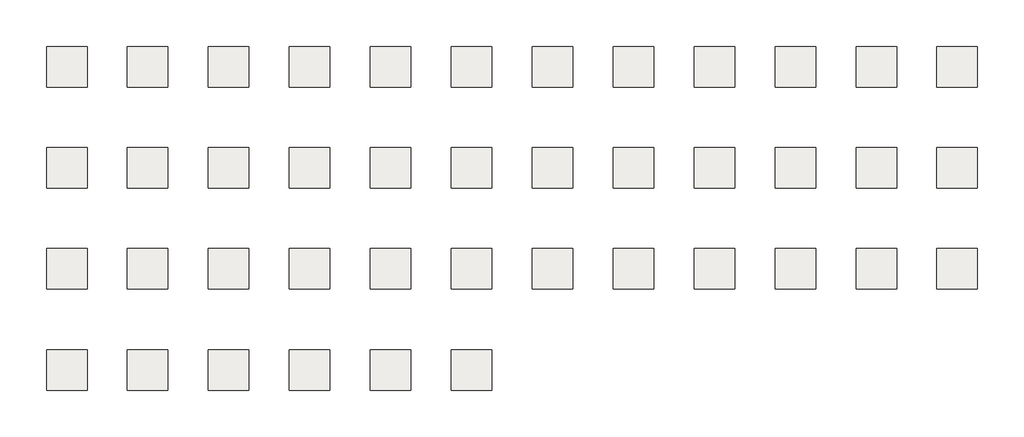
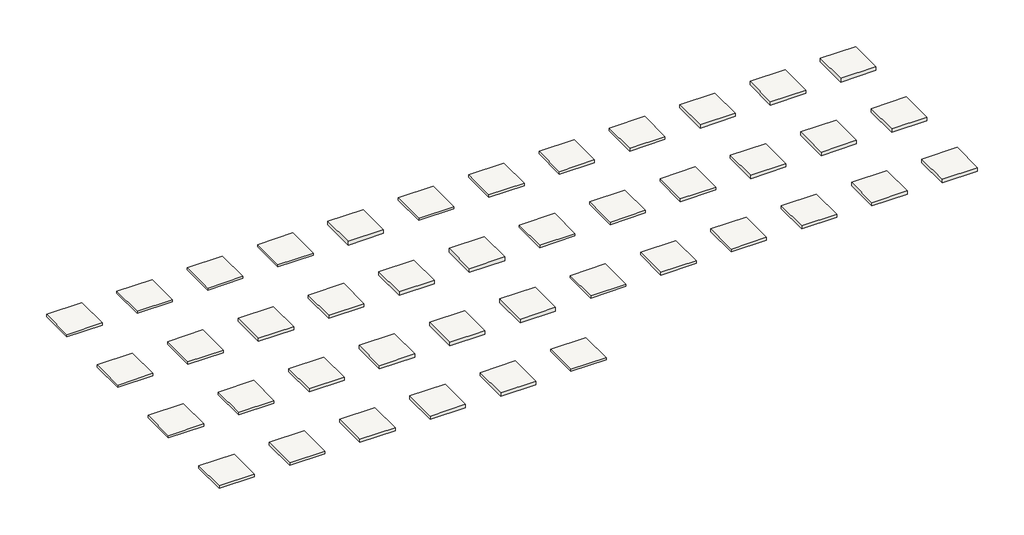
# One storey: 42 slabs.
"""IFC4 building model written with IfcOpenShell, lengths in millimetres."""

from ifc_helpers import new_model, si_unit, frame, origin, place, context, project, spatial, polyline, outline, extrude, element, save

model = new_model("IFC4")

# Units and contexts
model_context = context("Model", 3, world=origin())
ifc_project = project(units=[si_unit("LENGTHUNIT", "METRE", prefix="MILLI")], contexts=[model_context])

# Site, building, storey
site = spatial("IfcSite", under=ifc_project)
building = spatial("IfcBuilding", under=site)
storey = spatial("IfcBuildingStorey", under=building, Elevation=3048.0)

# Slabs
placement = place(None, origin())
element("IfcSlab", 1, at=placement, inside=storey, context=model_context, shape_type="SweptSolid", body=[
    extrude(outline(polyline([(-14593.2996332, 5143.7427288), (-14593.2996332, 2095.7427288), (-17641.2996332, 2095.7427288), (-17641.2996332, 5143.7427288), (-14593.2996332, 5143.7427288)])), frame((0.0, 0.0, 2857.4999989), z_axis=(0.0, 0.0, 1.0), x_axis=(1.0, 0.0, 0.0)), (0.0, 0.0, 1.0), 190.5000011),
])
element("IfcSlab", 2, at=placement, inside=storey, context=model_context, shape_type="SweptSolid", body=[
    extrude(outline(polyline([(-8497.2996332, 5143.7427288), (-8497.2996332, 2095.7427288), (-11545.2996332, 2095.7427288), (-11545.2996332, 5143.7427288), (-8497.2996332, 5143.7427288)])), frame((0.0, 0.0, 2863.8499992), z_axis=(0.0, 0.0, 1.0), x_axis=(1.0, 0.0, 0.0)), (0.0, 0.0, 1.0), 184.1500008),
])
element("IfcSlab", 3, at=placement, inside=storey, context=model_context, shape_type="SweptSolid", body=[
    extrude(outline(polyline([(-2401.2996332, 5143.7427288), (-2401.2996332, 2095.7427288), (-5449.2996332, 2095.7427288), (-5449.2996332, 5143.7427288), (-2401.2996332, 5143.7427288)])), frame((0.0, 0.0, 2863.8499992), z_axis=(0.0, 0.0, 1.0), x_axis=(1.0, 0.0, 0.0)), (0.0, 0.0, 1.0), 184.1500008),
])
element("IfcSlab", 4, at=placement, inside=storey, context=model_context, shape_type="SweptSolid", body=[
    extrude(outline(polyline([(3694.7003668, 5143.7427288), (3694.7003668, 2095.7427288), (646.7003668, 2095.7427288), (646.7003668, 5143.7427288), (3694.7003668, 5143.7427288)])), frame((0.0, 0.0, 2863.8499992), z_axis=(0.0, 0.0, 1.0), x_axis=(1.0, 0.0, 0.0)), (0.0, 0.0, 1.0), 184.1500008),
])
element("IfcSlab", 5, at=placement, inside=storey, context=model_context, shape_type="SweptSolid", body=[
    extrude(outline(polyline([(9790.7003668, 5143.7427288), (9790.7003668, 2095.7427288), (6742.7003668, 2095.7427288), (6742.7003668, 5143.7427288), (9790.7003668, 5143.7427288)])), frame((0.0, 0.0, 2711.4499991), z_axis=(0.0, 0.0, 1.0), x_axis=(1.0, 0.0, 0.0)), (0.0, 0.0, 1.0), 336.5500009),
])
element("IfcSlab", 6, at=placement, inside=storey, context=model_context, shape_type="SweptSolid", body=[
    extrude(outline(polyline([(15886.7003668, 5143.7427288), (15886.7003668, 2095.7427288), (12838.7003668, 2095.7427288), (12838.7003668, 5143.7427288), (15886.7003668, 5143.7427288)])), frame((0.0, 0.0, 2860.674999), z_axis=(0.0, 0.0, 1.0), x_axis=(1.0, 0.0, 0.0)), (0.0, 0.0, 1.0), 187.325001),
])
element("IfcSlab", 7, at=placement, inside=storey, context=model_context, shape_type="SweptSolid", body=[
    extrude(outline(polyline([(21982.7003668, 5143.7427288), (21982.7003668, 2095.7427288), (18934.7003668, 2095.7427288), (18934.7003668, 5143.7427288), (21982.7003668, 5143.7427288)])), frame((0.0, 0.0, 2835.275005), z_axis=(0.0, 0.0, 1.0), x_axis=(1.0, 0.0, 0.0)), (0.0, 0.0, 1.0), 212.724995),
])
element("IfcSlab", 8, at=placement, inside=storey, context=model_context, shape_type="SweptSolid", body=[
    extrude(outline(polyline([(28078.7003668, 5143.7427288), (28078.7003668, 2095.7427288), (25030.7003668, 2095.7427288), (25030.7003668, 5143.7427288), (28078.7003668, 5143.7427288)])), frame((0.0, 0.0, 2809.8749929), z_axis=(0.0, 0.0, 1.0), x_axis=(1.0, 0.0, 0.0)), (0.0, 0.0, 1.0), 238.1250071),
])
element("IfcSlab", 9, at=placement, inside=storey, context=model_context, shape_type="SweptSolid", body=[
    extrude(outline(polyline([(34174.7003668, 5143.7427288), (34174.7003668, 2095.7427288), (31126.7003668, 2095.7427288), (31126.7003668, 5143.7427288), (34174.7003668, 5143.7427288)])), frame((0.0, 0.0, 2784.474999), z_axis=(0.0, 0.0, 1.0), x_axis=(1.0, 0.0, 0.0)), (0.0, 0.0, 1.0), 263.525001),
])
element("IfcSlab", 10, at=placement, inside=storey, context=model_context, shape_type="SweptSolid", body=[
    extrude(outline(polyline([(40270.7003668, 5143.7427288), (40270.7003668, 2095.7427288), (37222.7003668, 2095.7427288), (37222.7003668, 5143.7427288), (40270.7003668, 5143.7427288)])), frame((0.0, 0.0, 2759.075005), z_axis=(0.0, 0.0, 1.0), x_axis=(1.0, 0.0, 0.0)), (0.0, 0.0, 1.0), 288.924995),
])
element("IfcSlab", 11, at=placement, inside=storey, context=model_context, shape_type="SweptSolid", body=[
    extrude(outline(polyline([(46366.7003668, 5143.7427288), (46366.7003668, 2095.7427288), (43318.7003668, 2095.7427288), (43318.7003668, 5143.7427288), (46366.7003668, 5143.7427288)])), frame((0.0, 0.0, 2733.6749929), z_axis=(0.0, 0.0, 1.0), x_axis=(1.0, 0.0, 0.0)), (0.0, 0.0, 1.0), 314.3250071),
])
element("IfcSlab", 12, at=placement, inside=storey, context=model_context, shape_type="SweptSolid", body=[
    extrude(outline(polyline([(52462.7003668, 5143.7427288), (52462.7003668, 2095.7427288), (49414.7003668, 2095.7427288), (49414.7003668, 5143.7427288), (52462.7003668, 5143.7427288)])), frame((0.0, 0.0, 2708.274999), z_axis=(0.0, 0.0, 1.0), x_axis=(1.0, 0.0, 0.0)), (0.0, 0.0, 1.0), 339.725001),
])
element("IfcSlab", 13, at=placement, inside=storey, context=model_context, shape_type="SweptSolid", body=[
    extrude(outline(polyline([(15886.7003668, -2476.2572712), (15886.7003668, -5524.2572712), (12838.7003668, -5524.2572712), (12838.7003668, -2476.2572712), (15886.7003668, -2476.2572712)])), frame((0.0, 0.0, 2705.0999989), z_axis=(0.0, 0.0, 1.0), x_axis=(1.0, 0.0, 0.0)), (0.0, 0.0, 1.0), 342.9000011),
])
element("IfcSlab", 14, at=placement, inside=storey, context=model_context, shape_type="SweptSolid", body=[
    extrude(outline(polyline([(21982.7003668, -2476.2572712), (21982.7003668, -5524.2572712), (18934.7003668, -5524.2572712), (18934.7003668, -2476.2572712), (21982.7003668, -2476.2572712)])), frame((0.0, 0.0, 2838.4500051), z_axis=(0.0, 0.0, 1.0), x_axis=(1.0, 0.0, 0.0)), (0.0, 0.0, 1.0), 209.5499949),
])
element("IfcSlab", 15, at=placement, inside=storey, context=model_context, shape_type="SweptSolid", body=[
    extrude(outline(polyline([(28078.7003668, -2476.2572712), (28078.7003668, -5524.2572712), (25030.7003668, -5524.2572712), (25030.7003668, -2476.2572712), (28078.7003668, -2476.2572712)])), frame((0.0, 0.0, 2813.049993), z_axis=(0.0, 0.0, 1.0), x_axis=(1.0, 0.0, 0.0)), (0.0, 0.0, 1.0), 234.950007),
])
element("IfcSlab", 16, at=placement, inside=storey, context=model_context, shape_type="SweptSolid", body=[
    extrude(outline(polyline([(34174.7003668, -2476.2572712), (34174.7003668, -5524.2572712), (31126.7003668, -5524.2572712), (31126.7003668, -2476.2572712), (34174.7003668, -2476.2572712)])), frame((0.0, 0.0, 2787.6499991), z_axis=(0.0, 0.0, 1.0), x_axis=(1.0, 0.0, 0.0)), (0.0, 0.0, 1.0), 260.3500009),
])
element("IfcSlab", 17, at=placement, inside=storey, context=model_context, shape_type="SweptSolid", body=[
    extrude(outline(polyline([(40270.7003668, -2476.2572712), (40270.7003668, -5524.2572712), (37222.7003668, -5524.2572712), (37222.7003668, -2476.2572712), (40270.7003668, -2476.2572712)])), frame((0.0, 0.0, 2762.2500051), z_axis=(0.0, 0.0, 1.0), x_axis=(1.0, 0.0, 0.0)), (0.0, 0.0, 1.0), 285.7499949),
])
element("IfcSlab", 18, at=placement, inside=storey, context=model_context, shape_type="SweptSolid", body=[
    extrude(outline(polyline([(46366.7003668, -2476.2572712), (46366.7003668, -5524.2572712), (43318.7003668, -5524.2572712), (43318.7003668, -2476.2572712), (46366.7003668, -2476.2572712)])), frame((0.0, 0.0, 2736.849993), z_axis=(0.0, 0.0, 1.0), x_axis=(1.0, 0.0, 0.0)), (0.0, 0.0, 1.0), 311.150007),
])
element("IfcSlab", 19, at=placement, inside=storey, context=model_context, shape_type="SweptSolid", body=[
    extrude(outline(polyline([(52462.7003668, -2476.2572712), (52462.7003668, -5524.2572712), (49414.7003668, -5524.2572712), (49414.7003668, -2476.2572712), (52462.7003668, -2476.2572712)])), frame((0.0, 0.0, 2711.4499991), z_axis=(0.0, 0.0, 1.0), x_axis=(1.0, 0.0, 0.0)), (0.0, 0.0, 1.0), 336.5500009),
])
element("IfcSlab", 20, at=placement, inside=storey, context=model_context, shape_type="SweptSolid", body=[
    extrude(outline(polyline([(-8497.2996332, -2476.2572712), (-8497.2996332, -5524.2572712), (-11545.2996332, -5524.2572712), (-11545.2996332, -2476.2572712), (-8497.2996332, -2476.2572712)])), frame((0.0, 0.0, 2806.6999928), z_axis=(0.0, 0.0, 1.0), x_axis=(1.0, 0.0, 0.0)), (0.0, 0.0, 1.0), 241.3000072),
])
element("IfcSlab", 21, at=placement, inside=storey, context=model_context, shape_type="SweptSolid", body=[
    extrude(outline(polyline([(-2401.2996332, -2476.2572712), (-2401.2996332, -5524.2572712), (-5449.2996332, -5524.2572712), (-5449.2996332, -2476.2572712), (-2401.2996332, -2476.2572712)])), frame((0.0, 0.0, 2781.2999989), z_axis=(0.0, 0.0, 1.0), x_axis=(1.0, 0.0, 0.0)), (0.0, 0.0, 1.0), 266.7000011),
])
element("IfcSlab", 22, at=placement, inside=storey, context=model_context, shape_type="SweptSolid", body=[
    extrude(outline(polyline([(3694.7003668, -2476.2572712), (3694.7003668, -5524.2572712), (646.7003668, -5524.2572712), (646.7003668, -2476.2572712), (3694.7003668, -2476.2572712)])), frame((0.0, 0.0, 2755.9000049), z_axis=(0.0, 0.0, 1.0), x_axis=(1.0, 0.0, 0.0)), (0.0, 0.0, 1.0), 292.0999951),
])
element("IfcSlab", 23, at=placement, inside=storey, context=model_context, shape_type="SweptSolid", body=[
    extrude(outline(polyline([(9790.7003668, -2476.2572712), (9790.7003668, -5524.2572712), (6742.7003668, -5524.2572712), (6742.7003668, -2476.2572712), (9790.7003668, -2476.2572712)])), frame((0.0, 0.0, 2730.4999928), z_axis=(0.0, 0.0, 1.0), x_axis=(1.0, 0.0, 0.0)), (0.0, 0.0, 1.0), 317.5000072),
])
element("IfcSlab", 24, at=placement, inside=storey, context=model_context, shape_type="SweptSolid", body=[
    extrude(outline(polyline([(-14593.2996332, -2476.2572712), (-14593.2996332, -5524.2572712), (-17641.2996332, -5524.2572712), (-17641.2996332, -2476.2572712), (-14593.2996332, -2476.2572712)])), frame((0.0, 0.0, 2832.1000049), z_axis=(0.0, 0.0, 1.0), x_axis=(1.0, 0.0, 0.0)), (0.0, 0.0, 1.0), 215.8999951),
])
element("IfcSlab", 25, at=placement, inside=storey, context=model_context, shape_type="SweptSolid", body=[
    extrude(outline(polyline([(15886.7003668, -10096.2572712), (15886.7003668, -13144.2572712), (12838.7003668, -13144.2572712), (12838.7003668, -10096.2572712), (15886.7003668, -10096.2572712)])), frame((0.0, 0.0, 2711.4499991), z_axis=(0.0, 0.0, 1.0), x_axis=(1.0, 0.0, 0.0)), (0.0, 0.0, 1.0), 336.5500009),
])
element("IfcSlab", 26, at=placement, inside=storey, context=model_context, shape_type="SweptSolid", body=[
    extrude(outline(polyline([(21982.7003668, -10096.2572712), (21982.7003668, -13144.2572712), (18934.7003668, -13144.2572712), (18934.7003668, -10096.2572712), (21982.7003668, -10096.2572712)])), frame((0.0, 0.0, 2838.4500051), z_axis=(0.0, 0.0, 1.0), x_axis=(1.0, 0.0, 0.0)), (0.0, 0.0, 1.0), 209.5499949),
])
element("IfcSlab", 27, at=placement, inside=storey, context=model_context, shape_type="SweptSolid", body=[
    extrude(outline(polyline([(28078.7003668, -10096.2572712), (28078.7003668, -13144.2572712), (25030.7003668, -13144.2572712), (25030.7003668, -10096.2572712), (28078.7003668, -10096.2572712)])), frame((0.0, 0.0, 2813.049993), z_axis=(0.0, 0.0, 1.0), x_axis=(1.0, 0.0, 0.0)), (0.0, 0.0, 1.0), 234.950007),
])
element("IfcSlab", 28, at=placement, inside=storey, context=model_context, shape_type="SweptSolid", body=[
    extrude(outline(polyline([(34174.7003668, -10096.2572712), (34174.7003668, -13144.2572712), (31126.7003668, -13144.2572712), (31126.7003668, -10096.2572712), (34174.7003668, -10096.2572712)])), frame((0.0, 0.0, 2787.6499991), z_axis=(0.0, 0.0, 1.0), x_axis=(1.0, 0.0, 0.0)), (0.0, 0.0, 1.0), 260.3500009),
])
element("IfcSlab", 29, at=placement, inside=storey, context=model_context, shape_type="SweptSolid", body=[
    extrude(outline(polyline([(40270.7003668, -10096.2572712), (40270.7003668, -13144.2572712), (37222.7003668, -13144.2572712), (37222.7003668, -10096.2572712), (40270.7003668, -10096.2572712)])), frame((0.0, 0.0, 2762.2500051), z_axis=(0.0, 0.0, 1.0), x_axis=(1.0, 0.0, 0.0)), (0.0, 0.0, 1.0), 285.7499949),
])
element("IfcSlab", 30, at=placement, inside=storey, context=model_context, shape_type="SweptSolid", body=[
    extrude(outline(polyline([(46366.7003668, -10096.2572712), (46366.7003668, -13144.2572712), (43318.7003668, -13144.2572712), (43318.7003668, -10096.2572712), (46366.7003668, -10096.2572712)])), frame((0.0, 0.0, 2736.849993), z_axis=(0.0, 0.0, 1.0), x_axis=(1.0, 0.0, 0.0)), (0.0, 0.0, 1.0), 311.150007),
])
element("IfcSlab", 31, at=placement, inside=storey, context=model_context, shape_type="SweptSolid", body=[
    extrude(outline(polyline([(52462.7003668, -10096.2572712), (52462.7003668, -13144.2572712), (49414.7003668, -13144.2572712), (49414.7003668, -10096.2572712), (52462.7003668, -10096.2572712)])), frame((0.0, 0.0, 2711.4499991), z_axis=(0.0, 0.0, 1.0), x_axis=(1.0, 0.0, 0.0)), (0.0, 0.0, 1.0), 336.5500009),
])
element("IfcSlab", 32, at=placement, inside=storey, context=model_context, shape_type="SweptSolid", body=[
    extrude(outline(polyline([(-8497.2996332, -10096.2572712), (-8497.2996332, -13144.2572712), (-11545.2996332, -13144.2572712), (-11545.2996332, -10096.2572712), (-8497.2996332, -10096.2572712)])), frame((0.0, 0.0, 2813.049993), z_axis=(0.0, 0.0, 1.0), x_axis=(1.0, 0.0, 0.0)), (0.0, 0.0, 1.0), 234.950007),
])
element("IfcSlab", 33, at=placement, inside=storey, context=model_context, shape_type="SweptSolid", body=[
    extrude(outline(polyline([(-2401.2996332, -10096.2572712), (-2401.2996332, -13144.2572712), (-5449.2996332, -13144.2572712), (-5449.2996332, -10096.2572712), (-2401.2996332, -10096.2572712)])), frame((0.0, 0.0, 2787.6499991), z_axis=(0.0, 0.0, 1.0), x_axis=(1.0, 0.0, 0.0)), (0.0, 0.0, 1.0), 260.3500009),
])
element("IfcSlab", 34, at=placement, inside=storey, context=model_context, shape_type="SweptSolid", body=[
    extrude(outline(polyline([(3694.7003668, -10096.2572712), (3694.7003668, -13144.2572712), (646.7003668, -13144.2572712), (646.7003668, -10096.2572712), (3694.7003668, -10096.2572712)])), frame((0.0, 0.0, 2762.2500051), z_axis=(0.0, 0.0, 1.0), x_axis=(1.0, 0.0, 0.0)), (0.0, 0.0, 1.0), 285.7499949),
])
element("IfcSlab", 35, at=placement, inside=storey, context=model_context, shape_type="SweptSolid", body=[
    extrude(outline(polyline([(9790.7003668, -10096.2572712), (9790.7003668, -13144.2572712), (6742.7003668, -13144.2572712), (6742.7003668, -10096.2572712), (9790.7003668, -10096.2572712)])), frame((0.0, 0.0, 2736.849993), z_axis=(0.0, 0.0, 1.0), x_axis=(1.0, 0.0, 0.0)), (0.0, 0.0, 1.0), 311.150007),
])
element("IfcSlab", 36, at=placement, inside=storey, context=model_context, shape_type="SweptSolid", body=[
    extrude(outline(polyline([(-14593.2996332, -10096.2572712), (-14593.2996332, -13144.2572712), (-17641.2996332, -13144.2572712), (-17641.2996332, -10096.2572712), (-14593.2996332, -10096.2572712)])), frame((0.0, 0.0, 2838.4500051), z_axis=(0.0, 0.0, 1.0), x_axis=(1.0, 0.0, 0.0)), (0.0, 0.0, 1.0), 209.5499949),
])
element("IfcSlab", 37, at=placement, inside=storey, context=model_context, shape_type="SweptSolid", body=[
    extrude(outline(polyline([(15886.7003668, -17716.2572712), (15886.7003668, -20764.2572712), (12838.7003668, -20764.2572712), (12838.7003668, -17716.2572712), (15886.7003668, -17716.2572712)])), frame((0.0, 0.0, 2863.8499992), z_axis=(0.0, 0.0, 1.0), x_axis=(1.0, 0.0, 0.0)), (0.0, 0.0, 1.0), 184.1500008),
])
element("IfcSlab", 38, at=placement, inside=storey, context=model_context, shape_type="SweptSolid", body=[
    extrude(outline(polyline([(-8497.2996332, -17716.2572712), (-8497.2996332, -20764.2572712), (-11545.2996332, -20764.2572712), (-11545.2996332, -17716.2572712), (-8497.2996332, -17716.2572712)])), frame((0.0, 0.0, 2813.049993), z_axis=(0.0, 0.0, 1.0), x_axis=(1.0, 0.0, 0.0)), (0.0, 0.0, 1.0), 234.950007),
])
element("IfcSlab", 39, at=placement, inside=storey, context=model_context, shape_type="SweptSolid", body=[
    extrude(outline(polyline([(-2401.2996332, -17716.2572712), (-2401.2996332, -20764.2572712), (-5449.2996332, -20764.2572712), (-5449.2996332, -17716.2572712), (-2401.2996332, -17716.2572712)])), frame((0.0, 0.0, 2787.6499991), z_axis=(0.0, 0.0, 1.0), x_axis=(1.0, 0.0, 0.0)), (0.0, 0.0, 1.0), 260.3500009),
])
element("IfcSlab", 40, at=placement, inside=storey, context=model_context, shape_type="SweptSolid", body=[
    extrude(outline(polyline([(3694.7003668, -17716.2572712), (3694.7003668, -20764.2572712), (646.7003668, -20764.2572712), (646.7003668, -17716.2572712), (3694.7003668, -17716.2572712)])), frame((0.0, 0.0, 2762.2500051), z_axis=(0.0, 0.0, 1.0), x_axis=(1.0, 0.0, 0.0)), (0.0, 0.0, 1.0), 285.7499949),
])
element("IfcSlab", 41, at=placement, inside=storey, context=model_context, shape_type="SweptSolid", body=[
    extrude(outline(polyline([(9790.7003668, -17716.2572712), (9790.7003668, -20764.2572712), (6742.7003668, -20764.2572712), (6742.7003668, -17716.2572712), (9790.7003668, -17716.2572712)])), frame((0.0, 0.0, 2736.849993), z_axis=(0.0, 0.0, 1.0), x_axis=(1.0, 0.0, 0.0)), (0.0, 0.0, 1.0), 311.150007),
])
element("IfcSlab", 42, at=placement, inside=storey, context=model_context, shape_type="SweptSolid", body=[
    extrude(outline(polyline([(-14593.2996332, -17716.2572712), (-14593.2996332, -20764.2572712), (-17641.2996332, -20764.2572712), (-17641.2996332, -17716.2572712), (-14593.2996332, -17716.2572712)])), frame((0.0, 0.0, 2838.4500051), z_axis=(0.0, 0.0, 1.0), x_axis=(1.0, 0.0, 0.0)), (0.0, 0.0, 1.0), 209.5499949),
])

save(model, "model.ifc")
